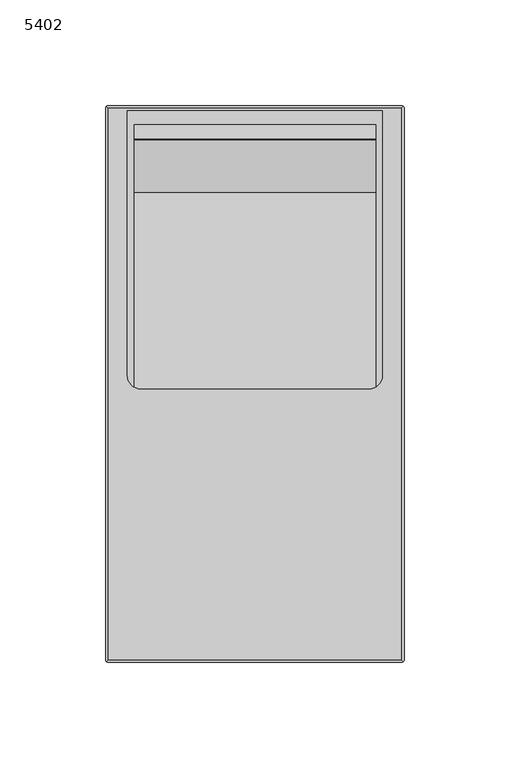
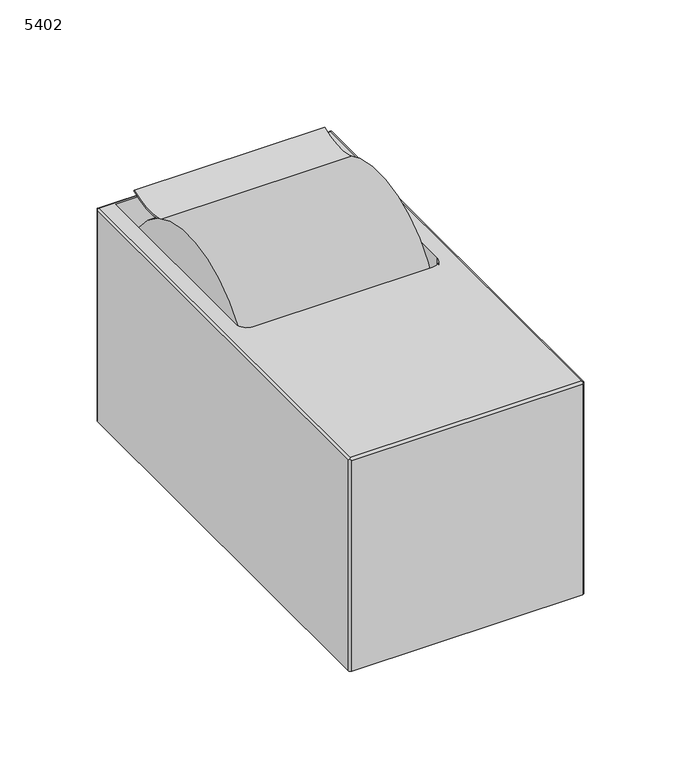
"""IFC4 building model written with IfcOpenShell, lengths in millimetres: proxy geometry, 5402."""

from ifc_helpers import new_model, si_unit, point, frame, frame_2d, origin, place, context, project, spatial, polyline, circle_curve, ellipse_curve, trimmed, segment, composite_curve, outline, extrude, source, transform, mapped, element, save
from ifc_brep_helpers import plane_surface, cylinder_surface, revolved_surface, advanced_brep


def proxy_5402_cf7757fe(model_context):
    return source(origin(), model_context, "Body", "SolidModel", [
        advanced_brep(
        [(69.3801, 130.4925, 134.9502), (-69.3801, 130.4925, 134.9502), (-69.3801, -130.4925, 134.9502), (69.3801, -130.4925, 134.9502), (60.3123, 129.3749, 134.9502), (60.3123, 4.0259, 134.9502), (53.9623, -2.3241, 134.9502), (-53.9623, -2.3241, 134.9502), (-60.3123, 4.0259, 134.9502), (-60.3123, 129.3749, 134.9502), (69.3801, -131.7625, 0.0), (-69.3801, -131.7625, 0.0), (-70.6501, -130.4925, 0.0), (-70.6501, 130.4925, 0.0), (-69.3801, 131.7625, 0.0), (69.3801, 131.7625, 0.0), (70.6501, 130.4925, 0.0), (70.6501, -130.4925, 0.0), (69.3801, -131.7625, 133.6802), (-69.3801, -131.7625, 133.6802), (-70.2781256, -131.3905256, 134.5782256), (-70.6501, -130.4925, 133.6802), (-70.6501, 130.4925, 133.6802), (-70.2781256, 131.3905256, 134.5782256), (-69.3801, 131.7625, 133.6802), (69.3801, 131.7625, 133.6802), (70.2781256, 131.3905256, 134.5782256), (70.6501, 130.4925, 133.6802), (70.6501, -130.4925, 133.6802), (70.2781256, -131.3905256, 134.5782256), (63.1571, 129.3749, 121.8946), (63.1571, 129.3749, 2.667), (63.1571, -124.6251, 2.667), (63.1571, -124.6251, 121.8946), (-63.2079, 129.3749, 121.8946), (-63.2079, -124.6251, 121.8946), (-63.2079, -124.6251, 2.667), (-63.2079, 129.3749, 2.667), (60.3123, 129.3749, 121.8946), (-60.3123, 129.3749, 121.8946), (-60.3123, 4.0259, 121.8946), (-53.9623, -2.3241, 121.8946), (53.9623, -2.3241, 121.8946), (60.3123, 4.0259, 121.8946)],
        [
            (0, 1),
            (1, 2),
            (2, 3),
            (3, 0),
            (4, 5),
            (5, 6, circle_curve(frame((53.9623, 4.0259, 134.9502), z_axis=(0.0, 0.0, -1.0), x_axis=(-1.0, 0.0, 0.0)), 6.35)),
            (6, 7),
            (7, 8, circle_curve(frame((-53.9623, 4.0259, 134.9502), z_axis=(0.0, 0.0, -1.0), x_axis=(-1.0, 0.0, 0.0)), 6.35)),
            (8, 9),
            (9, 4),
            (10, 11),
            (11, 12, circle_curve(frame((-69.3801, -130.4925, 0.0), z_axis=(0.0, 0.0, -1.0), x_axis=(1.0, 0.0, 0.0)), 1.27)),
            (12, 13),
            (13, 14, circle_curve(frame((-69.3801, 130.4925, 0.0), z_axis=(0.0, 0.0, -1.0), x_axis=(1.0, 0.0, 0.0)), 1.27)),
            (14, 15),
            (15, 16, circle_curve(frame((69.3801, 130.4925, 0.0), z_axis=(0.0, 0.0, -1.0), x_axis=(1.0, 0.0, 0.0)), 1.27)),
            (16, 17),
            (17, 10, circle_curve(frame((69.3801, -130.4925, 0.0), z_axis=(0.0, 0.0, -1.0), x_axis=(1.0, 0.0, 0.0)), 1.27)),
            (10, 18),
            (18, 19),
            (19, 11),
            (19, 20, ellipse_curve(frame((-69.3801, -130.4925, 133.6802), z_axis=(-0.7071067811865487, 0.0, -0.7071067811865464), x_axis=(-0.7071067811865464, 0.0, 0.7071067811865487)), 1.7960512, 1.27)),
            (20, 21, ellipse_curve(frame((-69.3801, -130.4925, 133.6802), z_axis=(0.0, -0.7071067811865464, -0.7071067811865487), x_axis=(0.0, -0.7071067811865487, 0.7071067811865464)), 1.7960512, 1.27)),
            (21, 12),
            (21, 22),
            (22, 13),
            (22, 23, ellipse_curve(frame((-69.3801, 130.4925, 133.6802), z_axis=(0.0, 0.7071067811865487, -0.7071067811865464), x_axis=(0.0, 0.7071067811865464, 0.7071067811865487)), 1.7960512, 1.27)),
            (23, 24, ellipse_curve(frame((-69.3801, 130.4925, 133.6802), z_axis=(-0.7071067811865475, 0.0, -0.7071067811865475), x_axis=(-0.7071067811865474, 0.0, 0.7071067811865476)), 1.7960512, 1.27)),
            (24, 14),
            (24, 25),
            (25, 15),
            (25, 26, ellipse_curve(frame((69.3801, 130.4925, 133.6802), z_axis=(0.7071067811865476, 0.0, -0.7071067811865475), x_axis=(0.7071067811865475, 0.0, 0.7071067811865476)), 1.7960512, 1.27)),
            (26, 27, ellipse_curve(frame((69.3801, 130.4925, 133.6802), z_axis=(0.0, 0.7071067811865465, -0.7071067811865487), x_axis=(0.0, 0.7071067811865487, 0.7071067811865462)), 1.7960512, 1.27)),
            (27, 16),
            (27, 28),
            (28, 17),
            (28, 29, ellipse_curve(frame((69.3801, -130.4925, 133.6802), z_axis=(0.0, -0.7071067811865486, -0.7071067811865464), x_axis=(0.0, -0.7071067811865464, 0.7071067811865488)), 1.7960512, 1.27)),
            (29, 18, ellipse_curve(frame((69.3801, -130.4925, 133.6802), z_axis=(0.7071067811865464, 0.0, -0.7071067811865487), x_axis=(0.7071067811865487, 0.0, 0.7071067811865464)), 1.7960512, 1.27)),
            (3, 29, ellipse_curve(frame((69.3801, -130.4925, 133.6802), z_axis=(0.7071067811865477, 0.7071067811865474, 0.0), x_axis=(-0.7071067811865474, 0.7071067811865478, 0.0)), 1.7960512, 1.27)),
            (26, 0, ellipse_curve(frame((69.3801, 130.4925, 133.6802), z_axis=(0.7071067811865474, -0.7071067811865478, 0.0), x_axis=(0.7071067811865479, 0.7071067811865471, 0.0)), 1.7960512, 1.27)),
            (23, 1, ellipse_curve(frame((-69.3801, 130.4925, 133.6802), z_axis=(0.7071067811865477, 0.7071067811865472, 0.0), x_axis=(-0.7071067811865475, 0.7071067811865476, 0.0)), 1.7960512, 1.27)),
            (20, 2, ellipse_curve(frame((-69.3801, -130.4925, 133.6802), z_axis=(-0.7071067811865474, 0.7071067811865477, 0.0), x_axis=(-0.7071067811865476, -0.7071067811865474, 0.0)), 1.7960512, 1.27)),
            (30, 31),
            (31, 32),
            (32, 33),
            (33, 30),
            (34, 35),
            (35, 36),
            (36, 37),
            (37, 34),
            (30, 38),
            (38, 4),
            (9, 39),
            (39, 34),
            (37, 31),
            (36, 32),
            (35, 33),
            (39, 40),
            (40, 41, circle_curve(frame((-53.9623, 4.0259, 121.8946), z_axis=(0.0, 0.0, 1.0), x_axis=(-1.0, 0.0, 0.0)), 6.35)),
            (41, 42),
            (42, 43, circle_curve(frame((53.9623, 4.0259, 121.8946), z_axis=(0.0, 0.0, 1.0), x_axis=(-1.0, 0.0, 0.0)), 6.35)),
            (43, 38),
            (43, 5),
            (42, 6),
            (41, 7),
            (40, 8),
        ],
        [
            plane_surface(frame((-70.6501, -131.7625, 134.9502), z_axis=(0.0, 0.0, 1.0), x_axis=(-1.0, 0.0, 0.0))),
            plane_surface(frame((-70.6501, -131.7625, 0.0), z_axis=(0.0, 0.0, -1.0), x_axis=(1.0, 0.0, 0.0))),
            plane_surface(frame((69.3801, -131.7625, 134.9502), z_axis=(0.0, -1.0, 0.0), x_axis=(0.0, 0.0, -1.0))),
            cylinder_surface(frame((-69.3801, -130.4925, 0.0), z_axis=(0.0, 0.0, 1.0), x_axis=(1.0, 0.0, 0.0)), 1.27),
            plane_surface(frame((-70.6501, -130.4925, 134.9502), z_axis=(-1.0, 0.0, 0.0), x_axis=(0.0, 0.0, -1.0))),
            cylinder_surface(frame((-69.3801, 130.4925, 0.0), z_axis=(0.0, 0.0, 1.0), x_axis=(1.0, 0.0, 0.0)), 1.27),
            plane_surface(frame((-69.3801, 131.7625, 134.9502), z_axis=(0.0, 1.0, 0.0), x_axis=(0.0, 0.0, -1.0))),
            cylinder_surface(frame((69.3801, 130.4925, 0.0), z_axis=(0.0, 0.0, 1.0), x_axis=(1.0, 0.0, 0.0)), 1.27),
            plane_surface(frame((70.6501, 130.4925, 134.9502), z_axis=(1.0, 0.0, 0.0), x_axis=(0.0, 0.0, -1.0))),
            cylinder_surface(frame((69.3801, -130.4925, 0.0), z_axis=(0.0, 0.0, 1.0), x_axis=(1.0, 0.0, 0.0)), 1.27),
            cylinder_surface(frame((69.3801, -131.7625, 133.6802), z_axis=(0.0, 1.0, 0.0), x_axis=(1.0, 0.0, 0.0)), 1.27),
            cylinder_surface(frame((70.6501, 130.4925, 133.6802), z_axis=(-1.0, 0.0, 0.0), x_axis=(0.0, 1.0, 0.0)), 1.27),
            cylinder_surface(frame((-69.3801, 131.7625, 133.6802), z_axis=(0.0, -1.0, 0.0), x_axis=(-1.0, 0.0, 0.0)), 1.27),
            cylinder_surface(frame((-70.6501, -130.4925, 133.6802), z_axis=(1.0, 0.0, 0.0), x_axis=(0.0, -1.0, 0.0)), 1.27),
            plane_surface(frame((63.1571, 129.3749, 118.5418), z_axis=(-1.0, 0.0, 0.0), x_axis=(0.0, 0.0, -1.0))),
            plane_surface(frame((-63.2079, 129.3749, 118.5418), z_axis=(1.0, 0.0, 0.0), x_axis=(0.0, 0.0, 1.0))),
            plane_surface(frame((63.1571, 129.3749, 121.8946), z_axis=(0.0, -1.0, 0.0), x_axis=(-1.0, 0.0, 0.0))),
            plane_surface(frame((63.1571, 129.3749, 2.667), z_axis=(0.0, 0.0, 1.0), x_axis=(-1.0, 0.0, 0.0))),
            plane_surface(frame((63.1571, -124.6251, 2.667), z_axis=(0.0, 1.0, 0.0), x_axis=(-1.0, 0.0, 0.0))),
            plane_surface(frame((63.1571, -124.6251, 121.8946), z_axis=(0.0, 0.0, -1.0), x_axis=(-1.0, 0.0, 0.0))),
            plane_surface(frame((60.3123, 129.3749, 148.472413), z_axis=(-1.0, 0.0, 0.0), x_axis=(0.0, 0.0, -1.0))),
            revolved_surface(polyline([(47.6123, 4.0259, 134.9502), (47.6123, 4.0259, 121.8946)]), (53.9623, 4.0259, 2.667), (0.0, 0.0, 1.0)),
            plane_surface(frame((53.9623, -2.3241, 148.472413), z_axis=(0.0, 1.0, 0.0), x_axis=(0.0, 0.0, -1.0))),
            revolved_surface(polyline([(-60.3123, 4.0259, 134.9502), (-60.3123, 4.0259, 121.8946)]), (-53.9623, 4.0259, 2.667), (0.0, 0.0, 1.0)),
            plane_surface(frame((-60.3123, 4.0259, 148.472413), z_axis=(1.0, 0.0, 0.0), x_axis=(0.0, 0.0, -1.0))),
        ],
        [
            (0, [[1, 2, 3, 4], [5, 6, 7, 8, 9, 10]]),
            (1, [[11, 12, 13, 14, 15, 16, 17, 18]]),
            (2, [[19, 20, 21, -11]]),
            (3, [[-21, 22, 23, 24, -12]]),
            (4, [[-24, 25, 26, -13]]),
            (5, [[-26, 27, 28, 29, -14]]),
            (6, [[-29, 30, 31, -15]]),
            (7, [[-31, 32, 33, 34, -16]]),
            (8, [[-34, 35, 36, -17]]),
            (9, [[-36, 37, 38, -19, -18]]),
            (10, [[-4, 39, -37, -35, -33, 40]]),
            (11, [[-32, -30, -28, 41, -1, -40]]),
            (12, [[-27, -25, -23, 42, -2, -41]]),
            (13, [[-22, -20, -38, -39, -3, -42]]),
            (14, [[43, 44, 45, 46]]),
            (15, [[47, 48, 49, 50]]),
            (16, [[51, 52, -10, 53, 54, -50, 55, -43]]),
            (17, [[-49, 56, -44, -55]]),
            (18, [[-56, -48, 57, -45]]),
            (19, [[-57, -47, -54, 58, 59, 60, 61, 62, -51, -46]]),
            (20, [[-62, 63, -5, -52]]),
            (21, [[-61, 64, -6, -63]]),
            (22, [[-60, 65, -7, -64]]),
            (23, [[-59, 66, -8, -65]]),
            (24, [[-9, -66, -58, -53]]),
        ],
    ),
        extrude(outline(composite_curve([segment(trimmed(circle_curve(frame_2d((59.2260545, 93.2279755)), 63.5), [point((122.7260545, 93.2279755))], [point((-4.2739455, 93.2279755))], False, "CARTESIAN"), True, "CONTINUOUS"), segment(trimmed(circle_curve(frame_2d((59.2260545, 93.2279755)), 63.5), [point((-4.2739455, 93.2279755))], [point((122.7260545, 93.2279755))], False, "CARTESIAN"), True, "CONTINUOUS")], self_intersect=False)), frame((-57.0869059, 0.0, 0.0), z_axis=(1.0, 0.0, 0.0), x_axis=(0.0, 1.0, 0.0)), (0.0, 0.0, 1.0), 114.3),
        extrude(outline(composite_curve([segment(polyline([(115.5731112, 151.2723156), (115.9117227, 150.5544149)]), True, "CONTINUOUS"), segment(trimmed(circle_curve(frame_2d((99.6981112, 184.929398)), 38.0068502), [point((115.9117227, 150.5544149))], [point((83.2275729, 150.6767773))], False, "CARTESIAN"), True, "CONTINUOUS"), segment(polyline([(83.2275729, 150.6767773), (83.8231112, 151.2723156)]), True, "CONTINUOUS"), segment(trimmed(circle_curve(frame_2d((99.6981112, 184.929398)), 37.2131002), [point((83.8231112, 151.2723156))], [point((115.5731112, 151.2723156))], True, "CARTESIAN"), True, "CONTINUOUS")], self_intersect=False)), frame((-57.0869059, 0.0, 0.0), z_axis=(1.0, 0.0, 0.0), x_axis=(0.0, 1.0, 0.0)), (0.0, 0.0, 1.0), 114.3),
    ])


if __name__ == "__main__":
    model = new_model("IFC4")
    model_context = context("Model", 3, world=origin())
    ifc_project = project(units=[si_unit("LENGTHUNIT", "METRE", prefix="MILLI")], contexts=[model_context])
    site = spatial("IfcSite", under=ifc_project)
    building = spatial("IfcBuilding", under=site)
    placement = place(None, origin())
    proxy_5402_shape = proxy_5402_cf7757fe(model_context)
    element("IfcBuildingElementProxy", 1, Name="5402", ObjectType="5402", at=placement, inside=building, context=model_context, shape_type="MappedRepresentation", body=[
        mapped(proxy_5402_shape, transform((0.0, 0.0, 0.0), x_axis=(1.0, 0.0, 0.0), y_axis=(0.0, 1.0, 0.0), z_axis=(0.0, 0.0, 1.0))),
    ])
    save(model, "model.ifc")
